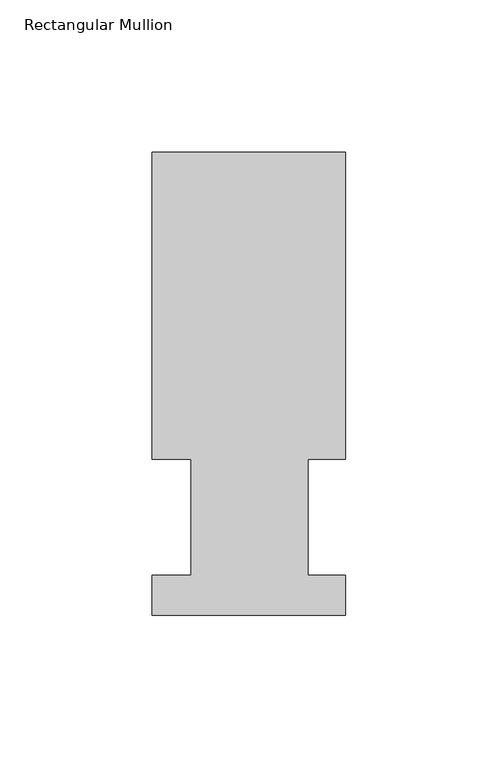
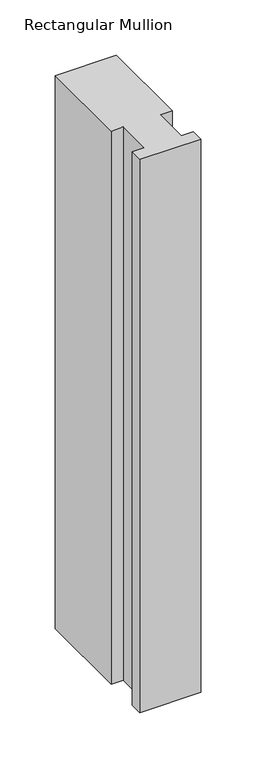
"""IFC4 building model written with IfcOpenShell, lengths in millimetres: member geometry, Rectangular Mullion."""

import ifcopenshell
import ifcopenshell.guid

model = None  # the IFC model being written
_history = None  # IfcOwnerHistory: only IFC2X3 demands one
_inside = {}  # id of a spatial element -> (the spatial element, [elements in it])
_under = {}  # id of a project, library or spatial element -> (it, [spatial elements below it])
_declared = {}  # id of a project -> (the project, [libraries it declares])
_typed = {}  # id of a type object -> (the type object, [elements of that type])
_made_of = {}  # id of a material, layer set ... -> (it, [elements and type objects made of it])


def new_model(schema):
    """Start an empty IFC model of exactly this schema.

    Asked for "IFC4X3", IfcOpenShell would pick the latest addendum, in which some entities
    have other attributes; the version numbers below select the first issue.
    IFC2X3 requires an IfcOwnerHistory on every rooted entity: one is made here for all.
    """
    global model, _history
    if schema == "IFC4X3":
        model = ifcopenshell.file(schema_version=(4, 3, 0, 0))
    else:
        model = ifcopenshell.file(schema=schema)
    _inside.clear()
    _under.clear()
    _declared.clear()
    _typed.clear()
    _made_of.clear()
    _history = None
    if model.schema == "IFC2X3":
        org = make("IfcOrganization", Name="unknown")
        user = make(
            "IfcPersonAndOrganization",
            ThePerson=make("IfcPerson", FamilyName="unknown"),
            TheOrganization=org,
        )
        app = make(
            "IfcApplication",
            ApplicationDeveloper=org,
            Version="unknown",
            ApplicationFullName="unknown",
            ApplicationIdentifier="unknown",
        )
        _history = make(
            "IfcOwnerHistory",
            OwningUser=user,
            OwningApplication=app,
            ChangeAction="ADDED",
            CreationDate=0,
        )
    return model


def make(cls, **values):
    """One entity of the class cls with the attributes given. An attribute that is None is left unset."""
    return model.create_entity(
        cls, **{name: value for name, value in values.items() if value is not None}
    )


def rooted(cls, **values):
    """An entity with a GlobalId (a new one), such as an element, a storey or a relation."""
    return make(cls, GlobalId=ifcopenshell.guid.new(), OwnerHistory=_history, **values)


def si_unit(unit_type, name, prefix=None):
    """IfcSIUnit, for example si_unit("LENGTHUNIT", "METRE", prefix="MILLI")."""
    return make("IfcSIUnit", UnitType=unit_type, Prefix=prefix, Name=name)


def assignment(units):
    """IfcUnitAssignment: the units of a project."""
    return None if units is None else make("IfcUnitAssignment", Units=units)


def point(xyz):
    """IfcCartesianPoint."""
    return None if xyz is None else make("IfcCartesianPoint", Coordinates=xyz)


def direction(xyz):
    """IfcDirection."""
    return None if xyz is None else make("IfcDirection", DirectionRatios=xyz)


def frame(location, z_axis=None, x_axis=None):
    """IfcAxis2Placement3D, a coordinate frame: its origin and axes. An axis left out is left unset."""
    return make(
        "IfcAxis2Placement3D",
        Location=point(location),
        Axis=direction(z_axis),
        RefDirection=direction(x_axis),
    )


def origin():
    """The frame at (0, 0, 0) with its axes left unset."""
    return frame((0.0, 0.0, 0.0))


def place(relative_to, where):
    """IfcLocalPlacement: puts the frame where relative to a parent placement (None: the world)."""
    return make(
        "IfcLocalPlacement", PlacementRelTo=relative_to, RelativePlacement=where
    )


def context(
    kind, dimensions, precision=None, world=None, true_north=None, identifier=None
):
    """IfcGeometricRepresentationContext, for example the 3D "Model" context."""
    return make(
        "IfcGeometricRepresentationContext",
        ContextIdentifier=identifier,
        ContextType=kind,
        CoordinateSpaceDimension=dimensions,
        Precision=precision,
        WorldCoordinateSystem=world,
        TrueNorth=true_north,
    )


def project(units=None, contexts=None):
    """IfcProject with its units and contexts."""
    return rooted(
        "IfcProject",
        Name="project",
        RepresentationContexts=contexts,
        UnitsInContext=assignment(units),
    )


def spatial(cls, under=None, at=None, **own):
    """A site, building, storey or space (cls), placed at a placement, below another one or the project."""
    s = rooted(cls, ObjectPlacement=at, **own)
    if under is not None:
        _under.setdefault(under.id(), (under, []))[1].append(s)
    return s


def polyline(points):
    """IfcPolyline through the points."""
    return make("IfcPolyline", Points=[point(p) for p in points])


def outline(outer, holes=None, kind="AREA"):
    """IfcArbitraryClosedProfileDef: a profile drawn as a closed curve; with holes, ...WithVoids."""
    if holes is None:
        return make("IfcArbitraryClosedProfileDef", ProfileType=kind, OuterCurve=outer)
    return make(
        "IfcArbitraryProfileDefWithVoids",
        ProfileType=kind,
        OuterCurve=outer,
        InnerCurves=holes,
    )


def extrude(swept, where, along, depth):
    """IfcExtrudedAreaSolid: the profile swept, set in the frame where, extruded along a direction by depth."""
    return make(
        "IfcExtrudedAreaSolid",
        SweptArea=swept,
        Position=where,
        ExtrudedDirection=direction(along),
        Depth=depth,
    )


def shape(context_of_items, identifier, shape_type, items):
    """IfcShapeRepresentation: the items that make up one representation, for example the "Body"."""
    return make(
        "IfcShapeRepresentation",
        ContextOfItems=context_of_items,
        RepresentationIdentifier=identifier,
        RepresentationType=shape_type,
        Items=items,
    )


def source(mapping_origin, context_of_items, identifier, shape_type, items):
    """IfcRepresentationMap: a shape defined once, which mapped items show again and again."""
    return make(
        "IfcRepresentationMap",
        MappingOrigin=mapping_origin,
        MappedRepresentation=shape(context_of_items, identifier, shape_type, items),
    )


def transform(
    local_origin,
    x_axis=None,
    y_axis=None,
    z_axis=None,
    scale=None,
    scale2=None,
    scale3=None,
    uniform=True,
):
    """IfcCartesianTransformationOperator3D, or its non-uniform kind. x_axis, y_axis, z_axis: its Axis1, 2, 3."""
    if uniform:
        return make(
            "IfcCartesianTransformationOperator3D",
            Axis1=direction(x_axis),
            Axis2=direction(y_axis),
            LocalOrigin=point(local_origin),
            Scale=scale,
            Axis3=direction(z_axis),
        )
    return make(
        "IfcCartesianTransformationOperator3DnonUniform",
        Axis1=direction(x_axis),
        Axis2=direction(y_axis),
        LocalOrigin=point(local_origin),
        Scale=scale,
        Axis3=direction(z_axis),
        Scale2=scale2,
        Scale3=scale3,
    )


def mapped(mapping_source, mapping_target):
    """IfcMappedItem: shows the shape of a source again, moved by a transform."""
    return make(
        "IfcMappedItem", MappingSource=mapping_source, MappingTarget=mapping_target
    )


def made_of(thing, what):
    """Note that an element or type object is made of a material, layer set ...; save() writes the relation."""
    if what is not None:
        _made_of.setdefault(what.id(), (what, []))[1].append(thing)
    return thing


def element(
    cls,
    number,
    at=None,
    inside=None,
    cuts=None,
    type_object=None,
    material=None,
    context=None,
    identifier="Body",
    shape_type=None,
    held_by="IfcProductDefinitionShape",
    body=None,
    shapes=None,
    **own,
):
    """One element of the class cls, such as IfcWall. Its Tag is "e" and its number.

    at: its placement. inside: the storey or other place that contains it. cuts: it is an
    opening in that element (IfcRelVoidsElement). A single representation is given by context,
    identifier, shape_type and body (its items); several are given by shapes. held_by: the class
    of the entity that holds the representations. save() writes the other relations.
    """
    e = rooted(cls, Tag="e%d" % number, ObjectPlacement=at, **own)
    if body is not None:
        shapes = [shape(context, identifier, shape_type, body)]
    if shapes is not None:
        e.Representation = make(held_by, Representations=shapes)
    if inside is not None:
        _inside.setdefault(inside.id(), (inside, []))[1].append(e)
    if cuts is not None:
        rooted(
            "IfcRelVoidsElement", RelatingBuildingElement=cuts, RelatedOpeningElement=e
        )
    if type_object is not None:
        _typed.setdefault(type_object.id(), (type_object, []))[1].append(e)
    return made_of(e, material)


def aggregate(whole, parts):
    """IfcRelAggregates: a whole, such as a stair, and the parts it consists of."""
    return rooted("IfcRelAggregates", RelatingObject=whole, RelatedObjects=parts)


def save(model, path):
    """Write the relations noted so far, then the file.

    IfcRelAggregates (storeys below a building ...), IfcRelContainedInSpatialStructure (elements
    in a storey), IfcRelDefinesByType, IfcRelAssociatesMaterial and IfcRelDeclares: one each for
    every whole, place, type object, material and project.
    """
    for whole, parts in _under.values():
        aggregate(whole, parts)
    for where, things in _inside.values():
        rooted(
            "IfcRelContainedInSpatialStructure",
            RelatedElements=things,
            RelatingStructure=where,
        )
    for kind, things in _typed.values():
        rooted("IfcRelDefinesByType", RelatedObjects=things, RelatingType=kind)
    for what, things in _made_of.values():
        rooted("IfcRelAssociatesMaterial", RelatedObjects=things, RelatingMaterial=what)
    for by, libraries in _declared.values():
        rooted("IfcRelDeclares", RelatingContext=by, RelatedDefinitions=libraries)
    model.write(path)


def rectangular_mullion_7e86724f(model_context):
    return source(origin(), model_context, "Body", "SweptSolid", [
        extrude(outline(polyline([(0.0, 151.9816937), (0.0, 51.2960938), (-12.3418395, 51.2960937), (-12.3418395, 13.1960937), (0.0, 13.1960937), (0.0, 0.0134937), (-63.5, 0.0134937), (-63.5, 13.1960937), (-50.8, 13.1960937), (-50.8, 51.2960938), (-63.5, 51.2960938), (-63.5, 151.9816937), (0.0, 151.9816937)])), frame((0.0, 0.0, -609.6), z_axis=(0.0, 0.0, 1.0), x_axis=(1.0, 0.0, 0.0)), (0.0, 0.0, 1.0), 609.6),
    ])


if __name__ == "__main__":
    model = new_model("IFC4")
    model_context = context("Model", 3, world=origin())
    ifc_project = project(units=[si_unit("LENGTHUNIT", "METRE", prefix="MILLI")], contexts=[model_context])
    site = spatial("IfcSite", under=ifc_project)
    building = spatial("IfcBuilding", under=site)
    placement = place(None, origin())
    rectangular_mullion_shape = rectangular_mullion_7e86724f(model_context)
    element("IfcMember", 1, ObjectType="Rectangular Mullion", at=placement, inside=building, context=model_context, shape_type="MappedRepresentation", body=[
        mapped(rectangular_mullion_shape, transform((0.0, 0.0, 0.0), x_axis=(1.0, 0.0, 0.0), y_axis=(0.0, 1.0, 0.0), z_axis=(0.0, 0.0, 1.0))),
    ])
    save(model, "model.ifc")
